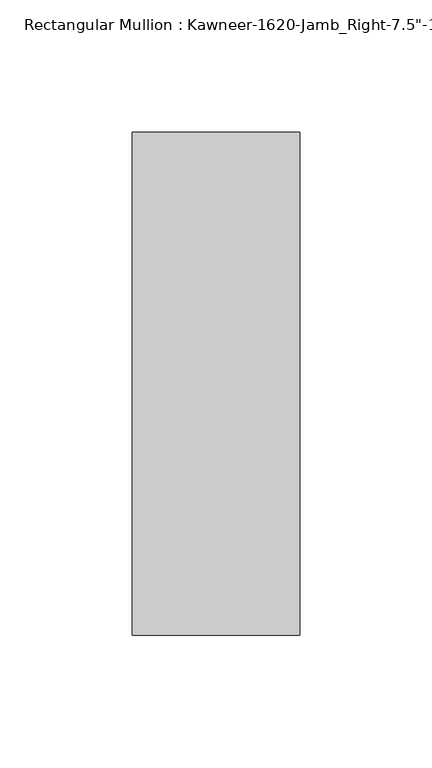
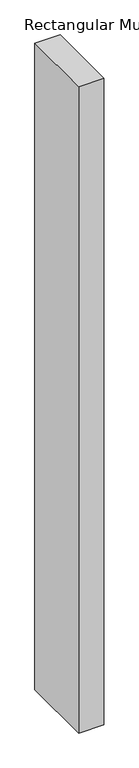
"""IFC4 building model written with IfcOpenShell, lengths in millimetres: member geometry."""

import ifcopenshell
import ifcopenshell.guid

model = None  # the IFC model being written
_history = None  # IfcOwnerHistory: only IFC2X3 demands one
_inside = {}  # id of a spatial element -> (the spatial element, [elements in it])
_under = {}  # id of a project, library or spatial element -> (it, [spatial elements below it])
_declared = {}  # id of a project -> (the project, [libraries it declares])
_typed = {}  # id of a type object -> (the type object, [elements of that type])
_made_of = {}  # id of a material, layer set ... -> (it, [elements and type objects made of it])


def new_model(schema):
    """Start an empty IFC model of exactly this schema.

    Asked for "IFC4X3", IfcOpenShell would pick the latest addendum, in which some entities
    have other attributes; the version numbers below select the first issue.
    IFC2X3 requires an IfcOwnerHistory on every rooted entity: one is made here for all.
    """
    global model, _history
    if schema == "IFC4X3":
        model = ifcopenshell.file(schema_version=(4, 3, 0, 0))
    else:
        model = ifcopenshell.file(schema=schema)
    _inside.clear()
    _under.clear()
    _declared.clear()
    _typed.clear()
    _made_of.clear()
    _history = None
    if model.schema == "IFC2X3":
        org = make("IfcOrganization", Name="unknown")
        user = make(
            "IfcPersonAndOrganization",
            ThePerson=make("IfcPerson", FamilyName="unknown"),
            TheOrganization=org,
        )
        app = make(
            "IfcApplication",
            ApplicationDeveloper=org,
            Version="unknown",
            ApplicationFullName="unknown",
            ApplicationIdentifier="unknown",
        )
        _history = make(
            "IfcOwnerHistory",
            OwningUser=user,
            OwningApplication=app,
            ChangeAction="ADDED",
            CreationDate=0,
        )
    return model


def make(cls, **values):
    """One entity of the class cls with the attributes given. An attribute that is None is left unset."""
    return model.create_entity(
        cls, **{name: value for name, value in values.items() if value is not None}
    )


def rooted(cls, **values):
    """An entity with a GlobalId (a new one), such as an element, a storey or a relation."""
    return make(cls, GlobalId=ifcopenshell.guid.new(), OwnerHistory=_history, **values)


def si_unit(unit_type, name, prefix=None):
    """IfcSIUnit, for example si_unit("LENGTHUNIT", "METRE", prefix="MILLI")."""
    return make("IfcSIUnit", UnitType=unit_type, Prefix=prefix, Name=name)


def assignment(units):
    """IfcUnitAssignment: the units of a project."""
    return None if units is None else make("IfcUnitAssignment", Units=units)


def point(xyz):
    """IfcCartesianPoint."""
    return None if xyz is None else make("IfcCartesianPoint", Coordinates=xyz)


def direction(xyz):
    """IfcDirection."""
    return None if xyz is None else make("IfcDirection", DirectionRatios=xyz)


def frame(location, z_axis=None, x_axis=None):
    """IfcAxis2Placement3D, a coordinate frame: its origin and axes. An axis left out is left unset."""
    return make(
        "IfcAxis2Placement3D",
        Location=point(location),
        Axis=direction(z_axis),
        RefDirection=direction(x_axis),
    )


def origin():
    """The frame at (0, 0, 0) with its axes left unset."""
    return frame((0.0, 0.0, 0.0))


def place(relative_to, where):
    """IfcLocalPlacement: puts the frame where relative to a parent placement (None: the world)."""
    return make(
        "IfcLocalPlacement", PlacementRelTo=relative_to, RelativePlacement=where
    )


def context(
    kind, dimensions, precision=None, world=None, true_north=None, identifier=None
):
    """IfcGeometricRepresentationContext, for example the 3D "Model" context."""
    return make(
        "IfcGeometricRepresentationContext",
        ContextIdentifier=identifier,
        ContextType=kind,
        CoordinateSpaceDimension=dimensions,
        Precision=precision,
        WorldCoordinateSystem=world,
        TrueNorth=true_north,
    )


def project(units=None, contexts=None):
    """IfcProject with its units and contexts."""
    return rooted(
        "IfcProject",
        Name="project",
        RepresentationContexts=contexts,
        UnitsInContext=assignment(units),
    )


def spatial(cls, under=None, at=None, **own):
    """A site, building, storey or space (cls), placed at a placement, below another one or the project."""
    s = rooted(cls, ObjectPlacement=at, **own)
    if under is not None:
        _under.setdefault(under.id(), (under, []))[1].append(s)
    return s


def polyline(points):
    """IfcPolyline through the points."""
    return make("IfcPolyline", Points=[point(p) for p in points])


def outline(outer, holes=None, kind="AREA"):
    """IfcArbitraryClosedProfileDef: a profile drawn as a closed curve; with holes, ...WithVoids."""
    if holes is None:
        return make("IfcArbitraryClosedProfileDef", ProfileType=kind, OuterCurve=outer)
    return make(
        "IfcArbitraryProfileDefWithVoids",
        ProfileType=kind,
        OuterCurve=outer,
        InnerCurves=holes,
    )


def extrude(swept, where, along, depth):
    """IfcExtrudedAreaSolid: the profile swept, set in the frame where, extruded along a direction by depth."""
    return make(
        "IfcExtrudedAreaSolid",
        SweptArea=swept,
        Position=where,
        ExtrudedDirection=direction(along),
        Depth=depth,
    )


def shape(context_of_items, identifier, shape_type, items):
    """IfcShapeRepresentation: the items that make up one representation, for example the "Body"."""
    return make(
        "IfcShapeRepresentation",
        ContextOfItems=context_of_items,
        RepresentationIdentifier=identifier,
        RepresentationType=shape_type,
        Items=items,
    )


def source(mapping_origin, context_of_items, identifier, shape_type, items):
    """IfcRepresentationMap: a shape defined once, which mapped items show again and again."""
    return make(
        "IfcRepresentationMap",
        MappingOrigin=mapping_origin,
        MappedRepresentation=shape(context_of_items, identifier, shape_type, items),
    )


def transform(
    local_origin,
    x_axis=None,
    y_axis=None,
    z_axis=None,
    scale=None,
    scale2=None,
    scale3=None,
    uniform=True,
):
    """IfcCartesianTransformationOperator3D, or its non-uniform kind. x_axis, y_axis, z_axis: its Axis1, 2, 3."""
    if uniform:
        return make(
            "IfcCartesianTransformationOperator3D",
            Axis1=direction(x_axis),
            Axis2=direction(y_axis),
            LocalOrigin=point(local_origin),
            Scale=scale,
            Axis3=direction(z_axis),
        )
    return make(
        "IfcCartesianTransformationOperator3DnonUniform",
        Axis1=direction(x_axis),
        Axis2=direction(y_axis),
        LocalOrigin=point(local_origin),
        Scale=scale,
        Axis3=direction(z_axis),
        Scale2=scale2,
        Scale3=scale3,
    )


def mapped(mapping_source, mapping_target):
    """IfcMappedItem: shows the shape of a source again, moved by a transform."""
    return make(
        "IfcMappedItem", MappingSource=mapping_source, MappingTarget=mapping_target
    )


def made_of(thing, what):
    """Note that an element or type object is made of a material, layer set ...; save() writes the relation."""
    if what is not None:
        _made_of.setdefault(what.id(), (what, []))[1].append(thing)
    return thing


def element(
    cls,
    number,
    at=None,
    inside=None,
    cuts=None,
    type_object=None,
    material=None,
    context=None,
    identifier="Body",
    shape_type=None,
    held_by="IfcProductDefinitionShape",
    body=None,
    shapes=None,
    **own,
):
    """One element of the class cls, such as IfcWall. Its Tag is "e" and its number.

    at: its placement. inside: the storey or other place that contains it. cuts: it is an
    opening in that element (IfcRelVoidsElement). A single representation is given by context,
    identifier, shape_type and body (its items); several are given by shapes. held_by: the class
    of the entity that holds the representations. save() writes the other relations.
    """
    e = rooted(cls, Tag="e%d" % number, ObjectPlacement=at, **own)
    if body is not None:
        shapes = [shape(context, identifier, shape_type, body)]
    if shapes is not None:
        e.Representation = make(held_by, Representations=shapes)
    if inside is not None:
        _inside.setdefault(inside.id(), (inside, []))[1].append(e)
    if cuts is not None:
        rooted(
            "IfcRelVoidsElement", RelatingBuildingElement=cuts, RelatedOpeningElement=e
        )
    if type_object is not None:
        _typed.setdefault(type_object.id(), (type_object, []))[1].append(e)
    return made_of(e, material)


def aggregate(whole, parts):
    """IfcRelAggregates: a whole, such as a stair, and the parts it consists of."""
    return rooted("IfcRelAggregates", RelatingObject=whole, RelatedObjects=parts)


def save(model, path):
    """Write the relations noted so far, then the file.

    IfcRelAggregates (storeys below a building ...), IfcRelContainedInSpatialStructure (elements
    in a storey), IfcRelDefinesByType, IfcRelAssociatesMaterial and IfcRelDeclares: one each for
    every whole, place, type object, material and project.
    """
    for whole, parts in _under.values():
        aggregate(whole, parts)
    for where, things in _inside.values():
        rooted(
            "IfcRelContainedInSpatialStructure",
            RelatedElements=things,
            RelatingStructure=where,
        )
    for kind, things in _typed.values():
        rooted("IfcRelDefinesByType", RelatedObjects=things, RelatingType=kind)
    for what, things in _made_of.values():
        rooted("IfcRelAssociatesMaterial", RelatedObjects=things, RelatingMaterial=what)
    for by, libraries in _declared.values():
        rooted("IfcRelDeclares", RelatingContext=by, RelatedDefinitions=libraries)
    model.write(path)


def member_45b1d8be(model_context):
    return source(origin(), model_context, "Body", "SweptSolid", [
        extrude(outline(polyline([(-22.225, 38.1), (41.275, 38.1), (41.275, -152.4), (-22.225, -152.4), (-22.225, 38.1)])), frame((0.0, 0.0, -1720.85), z_axis=(0.0, 0.0, 1.0), x_axis=(1.0, 0.0, 0.0)), (0.0, 0.0, 1.0), 1720.85),
    ])


if __name__ == "__main__":
    model = new_model("IFC4")
    model_context = context("Model", 3, world=origin())
    ifc_project = project(units=[si_unit("LENGTHUNIT", "METRE", prefix="MILLI")], contexts=[model_context])
    site = spatial("IfcSite", under=ifc_project)
    building = spatial("IfcBuilding", under=site)
    placement = place(None, origin())
    member_shape = member_45b1d8be(model_context)
    element("IfcMember", 1, ObjectType="Rectangular Mullion : Kawneer-1620-Jamb_Right-7.5\"-1\"Infill", at=placement, inside=building, context=model_context, shape_type="MappedRepresentation", body=[
        mapped(member_shape, transform((0.0, 0.0, 0.0), x_axis=(1.0, 0.0, 0.0), y_axis=(0.0, 1.0, 0.0), z_axis=(0.0, 0.0, 1.0))),
    ])
    save(model, "model.ifc")
